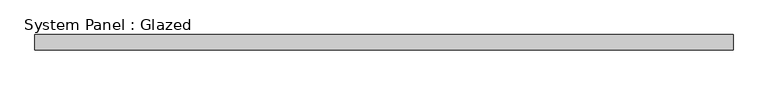
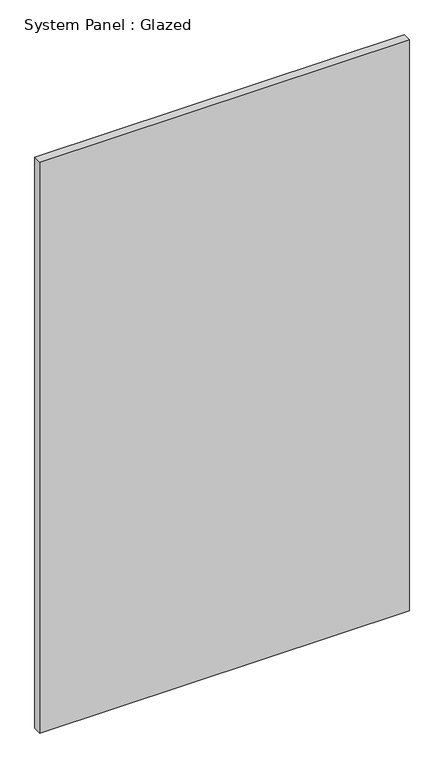
"""IFC4 building model written with IfcOpenShell, lengths in millimetres: plate geometry, System Panel : Glazed."""

from ifc_helpers import new_model, si_unit, origin, origin_with_axes, place, context, project, spatial, polyline, outline, extrude, source, transform, mapped, element, save


def system_panel_glazed_91f7c17a(model_context):
    return source(origin(), model_context, "Body", "SweptSolid", [
        extrude(outline(polyline([(577.85, -44.45), (-577.85, -44.45), (-577.85, -19.05), (577.85, -19.05), (577.85, -44.45)])), origin_with_axes(), (0.0, 0.0, 1.0), 1885.95),
    ])


if __name__ == "__main__":
    model = new_model("IFC4")
    model_context = context("Model", 3, world=origin())
    ifc_project = project(units=[si_unit("LENGTHUNIT", "METRE", prefix="MILLI")], contexts=[model_context])
    site = spatial("IfcSite", under=ifc_project)
    building = spatial("IfcBuilding", under=site)
    placement = place(None, origin())
    system_panel_glazed_shape = system_panel_glazed_91f7c17a(model_context)
    element("IfcPlate", 1, ObjectType="System Panel : Glazed", at=placement, inside=building, context=model_context, shape_type="MappedRepresentation", body=[
        mapped(system_panel_glazed_shape, transform((0.0, 0.0, 0.0), x_axis=(1.0, 0.0, 0.0), y_axis=(0.0, 1.0, 0.0), z_axis=(0.0, 0.0, 1.0))),
    ])
    save(model, "model.ifc")
